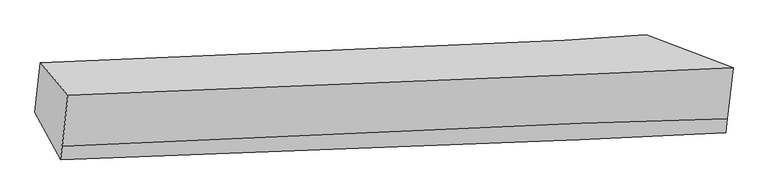
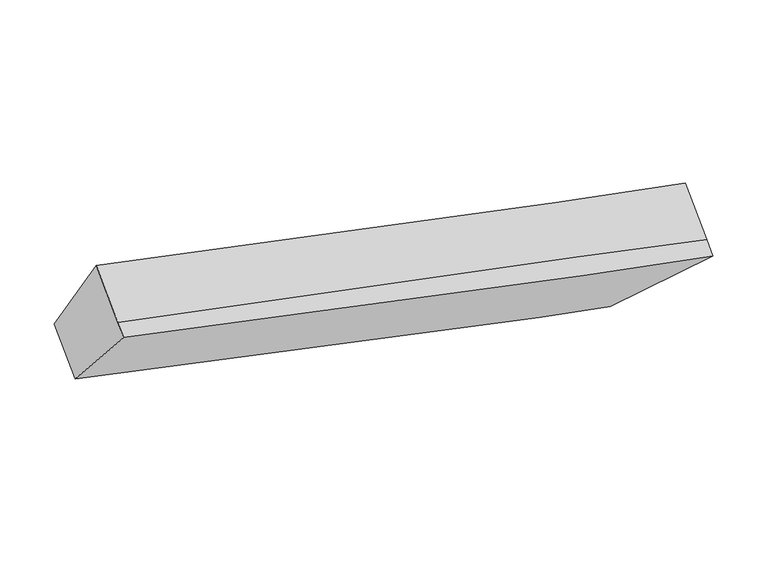
"""IFC4 building model written with IfcOpenShell, lengths in millimetres: proxy geometry."""

from ifc_helpers import new_model, si_unit, frame, origin, place, context, project, spatial, source, transform, mapped, element, save
from ifc_brep_helpers import plane_surface, spline_curve, spline_surface, advanced_brep


def generic_models_affa0445(model_context):
    return source(origin(), model_context, "Body", "AdvancedBrep", [
        advanced_brep(
        [(-2766.2351122, -1822.3186314, 3676.0728681), (-2544.4693061, -2083.481791, 4304.0080914), (2823.5292734, -1861.5951512, 3069.5557717), (2121.624937, -1596.9007146, 2517.0160548), (-2589.8547888, -2494.7273795, 4032.996182), (2778.2844077, -2271.5665852, 2799.3835335), (-2601.783822, -2602.8183813, 3961.7639315), (2765.4377565, -2387.9722794, 2722.6718791), (-2810.0357252, -2219.2034462, 3414.5247459), (2077.0298866, -2000.9840617, 2250.7240811)],
        [
            (0, 1),
            (1, 2, spline_curve(3, [(-2544.4693061, -2083.481791, 4304.0080914), (-1403.157044253, -2043.734685997, 4026.493889494), (-7.570404539, -1987.439487493, 3702.738373968), (2022.530912796, -1897.808141124, 3247.469085651), (2416.277133149, -1880.141126642, 3159.740494785), (2823.5292734, -1861.5951512, 3069.5557717)], [4, 2, 4], [0.0, 14.053262788331391, 17.292091279203344])),
            (2, 3),
            (3, 0, spline_curve(3, [(2121.624937, -1596.9007146, 2517.0160548), (1923.223342464, -1611.409738099, 2562.025056563), (1704.824416376, -1625.837220885, 2612.157722655), (432.02783013, -1702.430143676, 2907.171029879), (-978.859926669, -1763.141966356, 3243.390635038), (-2766.2351122, -1822.3186314, 3676.0728681)], [4, 2, 4], [0.0, 3.2388284908719527, 17.292091279203344])),
            (1, 4),
            (4, 5, spline_curve(3, [(-2589.8547888, -2494.7273795, 4032.996182), (-1445.354740018, -2426.095196184, 3774.517321597), (-49.140066302, -2364.109271666, 3454.512008659), (1978.584333649, -2296.015579513, 2985.049351278), (2371.749392067, -2283.614572519, 2893.850447622), (2778.2844077, -2271.5665852, 2799.3835335)], [4, 2, 4], [0.0, 14.698449855599476, 18.085973371027936])),
            (5, 2),
            (4, 6),
            (6, 7, spline_curve(3, [(-2601.783822, -2602.8183813, 3961.7639315), (-1461.104333913, -2568.804947462, 3680.471225486), (-65.807278053, -2515.133715016, 3354.986508819), (1964.360000633, -2424.904684376, 2900.11109684), (2358.136804202, -2406.96054917, 2812.565129093), (2765.4377565, -2387.9722794, 2722.6718791)], [4, 2, 4], [0.0, 14.698443681509977, 18.085965774007885])),
            (7, 5),
            (6, 8),
            (8, 9, spline_curve(3, [(-2810.0357252, -2219.2034462, 3414.5247459), (-1022.413881708, -2157.791770181, 2983.315390704), (388.345171238, -2098.246154428, 2646.327251896), (1660.52152072, -2027.27330372, 2347.610303037), (1878.784338157, -2014.07912429, 2296.664886843), (2077.0298866, -2000.9840617, 2250.7240811)], [4, 2, 4], [0.0, 14.053263692499122, 17.292092391752877])),
            (9, 7),
            (8, 0),
            (3, 9),
        ],
        [
            spline_surface(3, 3, [[(-2766.2351122, -1822.3186314, 3676.0728681), (-978.85992683, -1763.141966202, 3243.390635018), (432.027830165, -1702.430143442, 2907.17102993), (1704.824416368, -1625.837220939, 2612.157722643), (1923.223342425, -1611.4097381, 2562.025056609), (2121.624937, -1596.9007146, 2517.0160548)], [(-2692.31317682, -1909.37301792, 3885.384609213), (-1120.292299225, -1856.672872784, 3504.425053152), (285.49508524, -1797.433258069, 3172.360144558), (1810.726581835, -1716.494194371, 2823.928177022), (2087.574606005, -1700.986867596, 2761.263536), (2355.593049126, -1685.132193447, 2701.195960428)], [(-2618.39124148, -1996.42740448, 4094.696350287), (-1261.724671659, -1950.203779408, 3765.459471248), (138.96234035, -1892.436372639, 3437.54925911), (1916.628747337, -1807.151167745, 3035.698631325), (2251.925869606, -1790.563997153, 2960.502015406), (2589.561161274, -1773.363672353, 2885.375866072)], [(-2544.4693061, -2083.481791, 4304.0080914), (-1403.157044053, -2043.734685991, 4026.493889383), (-7.570404575, -1987.439487266, 3702.738373738), (2022.530912805, -1897.808141176, 3247.469085704), (2416.277133186, -1880.141126649, 3159.740494797), (2823.5292734, -1861.5951512, 3069.5557717)]], [4, 4], [4, 2, 4], [0.0, 2.7626275748823326], [0.0, 14.053262788331391, 17.292091279203344]),
            spline_surface(3, 3, [[(-2544.4693061, -2083.481791, 4304.0080914), (-1403.157044053, -2043.734685991, 4026.493889383), (-7.570404575, -1987.439487266, 3702.738373738), (2022.530912805, -1897.808141176, 3247.469085704), (2416.277133186, -1880.141126649, 3159.740494797), (2823.5292734, -1861.5951512, 3069.5557717)], [(-2559.597800332, -2220.56365385, 4213.67078827), (-1417.222942722, -2171.188189466, 3942.501700052), (-21.426958474, -2112.996082133, 3619.996252099), (2007.882053095, -2030.543953932, 3159.995840858), (2401.434552818, -2014.632275284, 3071.110479054), (2808.447651501, -1998.252295863, 2979.498358957)], [(-2574.726294568, -2357.64551665, 4123.33348513), (-1431.288841395, -2298.64169289, 3858.50951071), (-35.283512401, -2238.55267702, 3537.254130521), (1993.233193358, -2163.279766707, 3072.522596073), (2386.591972448, -2149.123423928, 2982.480463342), (2793.366029599, -2134.909440537, 2889.440946243)], [(-2589.8547888, -2494.7273795, 4032.996182), (-1445.354740063, -2426.095196365, 3774.517321379), (-49.1400663, -2364.109271887, 3454.512008882), (1978.584333649, -2296.015579462, 2985.049351227), (2371.74939208, -2283.614572562, 2893.850447599), (2778.2844077, -2271.5665852, 2799.3835335)]], [4, 4], [4, 2, 4], [0.0, 1.516267437952851], [0.0, 14.698449855599476, 18.085973371027936]),
            spline_surface(3, 3, [[(-2589.8547888, -2494.7273795, 4032.996182), (-1445.354740063, -2426.095196365, 3774.517321379), (-49.1400663, -2364.109271887, 3454.512008882), (1978.584333649, -2296.015579462, 2985.049351227), (2371.74939208, -2283.614572562, 2893.850447599), (2778.2844077, -2271.5665852, 2799.3835335)], [(-2593.831133208, -2530.757713415, 4009.252098508), (-1450.604604628, -2473.665113315, 3743.16862274), (-54.695803511, -2414.450752984, 3421.336842282), (1973.842889282, -2338.978614409, 2956.736599775), (2367.211862811, -2324.729898077, 2866.755341455), (2774.002190645, -2310.368483263, 2773.812982047)], [(-2597.807477592, -2566.788047385, 3985.508014992), (-1455.854469167, -2521.235030319, 3711.819924077), (-60.251540677, -2464.79223411, 3388.161675607), (1969.101444961, -2381.941649385, 2928.423848248), (2362.674333507, -2365.845223605, 2839.66023527), (2769.719973555, -2349.170381337, 2748.242430553)], [(-2601.783822, -2602.8183813, 3961.7639315), (-1461.104333732, -2568.804947269, 3680.471225438), (-65.807277888, -2515.133715207, 3354.986509007), (1964.360000595, -2424.904684332, 2900.111096797), (2358.136804239, -2406.960549121, 2812.565129125), (2765.4377565, -2387.9722794, 2722.6718791)]], [4, 4], [4, 2, 4], [0.0, 0.5607726014912667], [0.0, 14.698443681509977, 18.085965774007885]),
            spline_surface(3, 3, [[(-2601.783822, -2602.8183813, 3961.7639315), (-1461.104333732, -2568.804947269, 3680.471225438), (-65.807277888, -2515.133715207, 3354.986509007), (1964.360000595, -2424.904684332, 2900.111096797), (2358.136804239, -2406.960549121, 2812.565129125), (2765.4377565, -2387.9722794, 2722.6718791)], [(-2671.20112309, -2474.946736269, 3779.350869602), (-1314.87418309, -2431.800554851, 3448.085947214), (85.576871883, -2376.171195, 3118.766756661), (1863.080507327, -2292.360890786, 2715.944165503), (2198.352648879, -2276.000074191, 2640.5983817), (2535.968466522, -2258.97620685, 2565.355946442)], [(-2740.61842411, -2347.075091231, 3596.937807798), (-1168.644032379, -2294.796162427, 3215.700669082), (236.961021561, -2237.208674784, 2882.5470044), (1761.801013966, -2159.817097231, 2531.777234294), (2038.568493554, -2145.039599211, 2468.631634248), (2306.499176578, -2129.98013425, 2408.040013758)], [(-2810.0357252, -2219.2034462, 3414.5247459), (-1022.413881737, -2157.791770008, 2983.315390858), (388.345171332, -2098.246154577, 2646.327252055), (1660.521520698, -2027.273303685, 2347.610303001), (1878.784338194, -2014.079124281, 2296.664886822), (2077.0298866, -2000.9840617, 2250.7240811)]], [4, 4], [4, 2, 4], [0.0, 2.7147615719562186], [0.0, 14.053263692499122, 17.292092391752877]),
            spline_surface(3, 3, [[(-2810.0357252, -2219.2034462, 3414.5247459), (-1022.413881737, -2157.791770008, 2983.315390858), (388.345171332, -2098.246154577, 2646.327252055), (1660.521520698, -2027.273303685, 2347.610303001), (1878.784338194, -2014.079124281, 2296.664886822), (2077.0298866, -2000.9840617, 2250.7240811)], [(-2795.43552085, -2086.908507946, 3501.707453306), (-1007.895896752, -2026.241835419, 3070.007138918), (402.906057596, -1966.307484192, 2733.275178011), (1675.289152575, -1893.461276097, 2435.792776213), (1893.59733961, -1879.855995565, 2385.118276744), (2091.894903406, -1866.289612677, 2339.488072326)], [(-2780.83531655, -1954.613569654, 3588.890160694), (-993.377911816, -1894.691900791, 3156.698886958), (417.466943901, -1834.368813827, 2820.223103973), (1690.056784491, -1759.649248528, 2523.975249431), (1908.410341008, -1745.632866816, 2473.571666688), (2106.759920194, -1731.595163623, 2428.252063574)], [(-2766.2351122, -1822.3186314, 3676.0728681), (-978.85992683, -1763.141966202, 3243.390635018), (432.027830165, -1702.430143442, 2907.17102993), (1704.824416368, -1625.837220939, 2612.157722643), (1923.223342425, -1611.4097381, 2562.025056609), (2121.624937, -1596.9007146, 2517.0160548)]], [4, 4], [4, 2, 4], [0.0, 1.5650041765100253], [0.0, 13.408160110778029, 16.49831302622899]),
            plane_surface(frame((2446.9054634, -1961.8630517, 2639.9919467), z_axis=(0.6570179925229035, 0.36293445534176094, -0.6607616352565829), x_axis=(-0.7482694238419219, 0.4206393670105718, -0.5129867369281821))),
            plane_surface(frame((-2680.6309914, -2181.9555625, 3839.0924092), z_axis=(-0.9503009551554946, -0.09127711327456454, 0.2976517818236892), x_axis=(-0.09176179403460501, -0.8314692441977055, -0.5479403882803741))),
        ],
        [
            (0, [[1, 2, 3, 4]]),
            (1, [[5, 6, 7, -2]]),
            (2, [[8, 9, 10, -6]]),
            (3, [[11, 12, 13, -9]]),
            (4, [[14, -4, 15, -12]]),
            (5, [[-13, -15, -3, -7, -10]]),
            (6, [[-14, -11, -8, -5, -1]]),
        ],
    ),
    ])


if __name__ == "__main__":
    model = new_model("IFC4")
    model_context = context("Model", 3, world=origin())
    ifc_project = project(units=[si_unit("LENGTHUNIT", "METRE", prefix="MILLI")], contexts=[model_context])
    site = spatial("IfcSite", under=ifc_project)
    building = spatial("IfcBuilding", under=site)
    placement = place(None, origin())
    generic_models_shape = generic_models_affa0445(model_context)
    element("IfcBuildingElementProxy", 1, Name="Generic Models", at=placement, inside=building, context=model_context, shape_type="MappedRepresentation", body=[
        mapped(generic_models_shape, transform((0.0, 0.0, 0.0), x_axis=(1.0, 0.0, 0.0), y_axis=(0.0, 1.0, 0.0), z_axis=(0.0, 0.0, 1.0))),
    ])
    save(model, "model.ifc")
